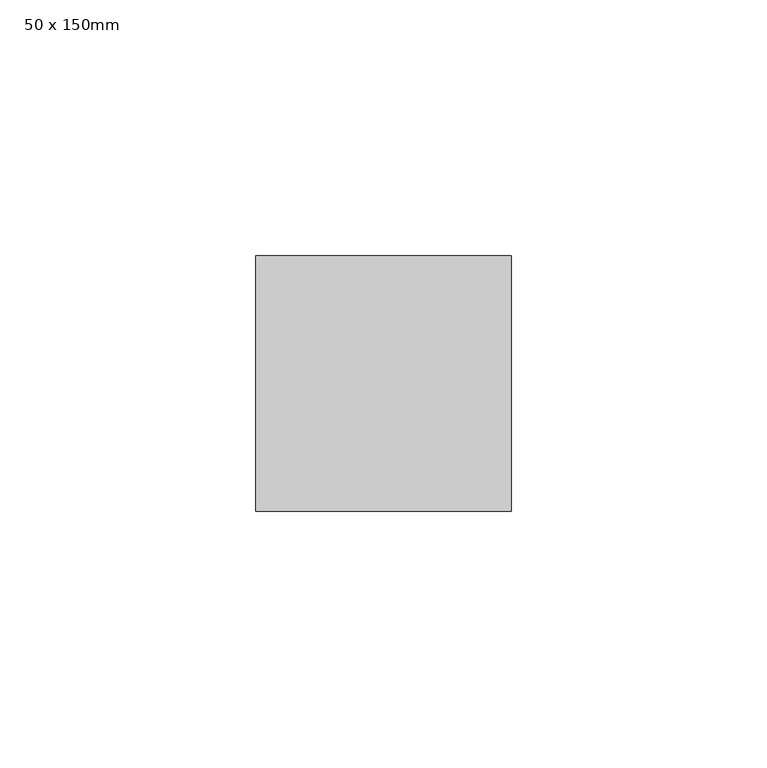
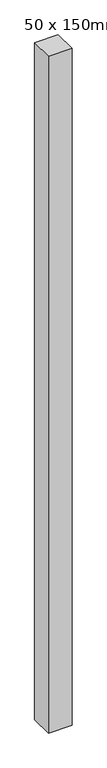
"""IFC4 building model written with IfcOpenShell, lengths in millimetres: member geometry, 50 x 150mm."""

from ifc_helpers import new_model, si_unit, frame, origin, place, context, project, spatial, polyline, outline, extrude, source, transform, mapped, element, save


def member_50_x_150mm_e112aad1(model_context):
    return source(origin(), model_context, "Body", "SweptSolid", [
        extrude(outline(polyline([(25.0, 25.0), (25.0, -25.0), (-25.0, -25.0), (-25.0, 25.0), (25.0, 25.0)])), frame((0.0, 0.0, -1517.737743), z_axis=(0.0, 0.0, 1.0), x_axis=(1.0, 0.0, 0.0)), (0.0, 0.0, 1.0), 1517.737743),
    ])


if __name__ == "__main__":
    model = new_model("IFC4")
    model_context = context("Model", 3, world=origin())
    ifc_project = project(units=[si_unit("LENGTHUNIT", "METRE", prefix="MILLI")], contexts=[model_context])
    site = spatial("IfcSite", under=ifc_project)
    building = spatial("IfcBuilding", under=site)
    placement = place(None, origin())
    member_50_x_150mm_shape = member_50_x_150mm_e112aad1(model_context)
    element("IfcMember", 1, ObjectType="50 x 150mm", at=placement, inside=building, context=model_context, shape_type="MappedRepresentation", body=[
        mapped(member_50_x_150mm_shape, transform((0.0, 0.0, 0.0), x_axis=(1.0, 0.0, 0.0), y_axis=(0.0, 1.0, 0.0), z_axis=(0.0, 0.0, 1.0))),
    ])
    save(model, "model.ifc")
